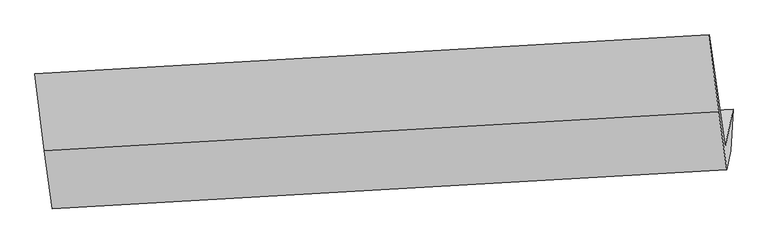
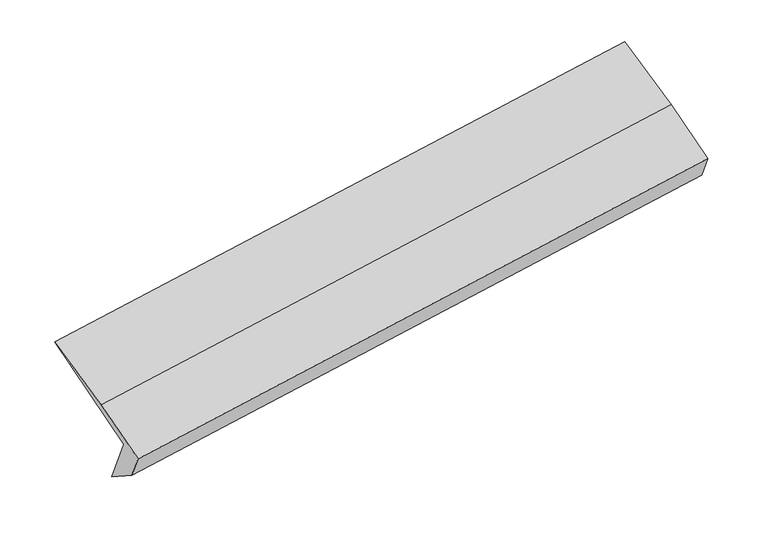
"""IFC4 building model written with IfcOpenShell, lengths in millimetres: proxy geometry."""

from ifc_helpers import new_model, si_unit, frame, origin, place, context, project, spatial, source, transform, mapped, element, save
from ifc_brep_helpers import plane_surface, spline_surface, advanced_brep


def generic_models_128df2ea(model_context):
    return source(origin(), model_context, "Body", "AdvancedBrep", [
        advanced_brep(
        [(-6274.0334894, -1575.3953863, 733.5028517), (-6355.8588389, -1969.1394502, 1412.9899039), (657.3268248, -1580.4301445, 2482.7797505), (739.1521742, -1186.6860806, 1803.2926982), (-6294.9668356, -2025.1242106, 1034.1443501), (715.7754855, -1619.1137128, 2113.665529), (-6336.3219634, -2224.1253293, 1377.562057), (674.4203577, -1818.1148314, 2457.0832359), (-6421.682217, -1619.6934421, 1717.5344439), (589.0601041, -1213.6829443, 2797.0556227), (-6517.9225427, -821.574088, 2058.4564049), (492.8197784, -415.5635902, 3137.9775838)],
        [
            (0, 1),
            (1, 2),
            (2, 3),
            (3, 0),
            (4, 0),
            (3, 5),
            (5, 4),
            (6, 4),
            (5, 7),
            (7, 6),
            (8, 6),
            (7, 9),
            (9, 8),
            (10, 8),
            (9, 11),
            (11, 10),
            (1, 10),
            (11, 2),
        ],
        [
            plane_surface(frame((-6314.9461641, -1772.2674183, 1073.2463778), z_axis=(-0.12216712721879153, 0.8650596049112362, 0.4865666172045961), x_axis=(-0.10363183156196605, -0.4986769843475474, 0.8605705716378805))),
            spline_surface(1, 1, [[(-6294.9668356, -2025.1242106, 1034.1443501), (715.7754855, -1619.1137128, 2113.665529)], [(-6274.0334894, -1575.3953863, 733.5028517), (739.1521742, -1186.6860806, 1803.2926982)]], [2, 2], [2, 2], [0.0, 1.0], [0.0, 1.0]),
            plane_surface(frame((-6315.6443995, -2124.6247699, 1205.8532035), z_axis=(0.12494521437719458, -0.8649021739270537, -0.4861408468134454), x_axis=(0.10363183156196612, 0.4986769843475474, -0.8605705716378804))),
            plane_surface(frame((-6379.0020902, -1921.9093857, 1547.5482504), z_axis=(-0.10363183156196543, -0.49867698434755425, 0.8605705716378764), x_axis=(0.12216712721879702, -0.8650596049112318, -0.4865666172046021))),
            plane_surface(frame((-6469.8023798, -1220.6337651, 1887.9954244), z_axis=(-0.11656365111738176, -0.4019958157105935, 0.9081917635551207), x_axis=(0.1102152215201726, -0.9140129231674171, -0.3904266656213592))),
            plane_surface(frame((-6436.8906908, -1395.3567691, 1735.7231544), z_axis=(0.10363183156196579, 0.4986769843475474, -0.8605705716378804), x_axis=(-0.12216712721879427, 0.8650596049112359, 0.4865666172045956))),
            plane_surface(frame((644.7591208, -1305.5985506, 2465.30907), z_axis=(0.9870844120510761, 0.054709644788214835, 0.1505696458550946), x_axis=(0.12216712721879702, -0.8650596049112318, -0.4865666172046021))),
            plane_surface(frame((-6366.7976478, -1705.8419844, 1389.0316686), z_axis=(-0.9870844120510767, -0.054709644788212705, -0.15056964585509253), x_axis=(0.10363183156196536, 0.4986769843475474, -0.8605705716378805))),
        ],
        [
            (0, [[1, 2, 3, 4]]),
            (1, [[5, -4, 6, 7]]),
            (2, [[8, -7, 9, 10]]),
            (3, [[11, -10, 12, 13]]),
            (4, [[14, -13, 15, 16]]),
            (5, [[17, -16, 18, -2]]),
            (6, [[-12, -9, -6, -3, -18, -15]]),
            (7, [[-1, -5, -8, -11, -14, -17]]),
        ],
    ),
    ])


if __name__ == "__main__":
    model = new_model("IFC4")
    model_context = context("Model", 3, world=origin())
    ifc_project = project(units=[si_unit("LENGTHUNIT", "METRE", prefix="MILLI")], contexts=[model_context])
    site = spatial("IfcSite", under=ifc_project)
    building = spatial("IfcBuilding", under=site)
    placement = place(None, origin())
    generic_models_shape = generic_models_128df2ea(model_context)
    element("IfcBuildingElementProxy", 1, Name="Generic Models", at=placement, inside=building, context=model_context, shape_type="MappedRepresentation", body=[
        mapped(generic_models_shape, transform((0.0, 0.0, 0.0), x_axis=(1.0, 0.0, 0.0), y_axis=(0.0, 1.0, 0.0), z_axis=(0.0, 0.0, 1.0))),
    ])
    save(model, "model.ifc")
